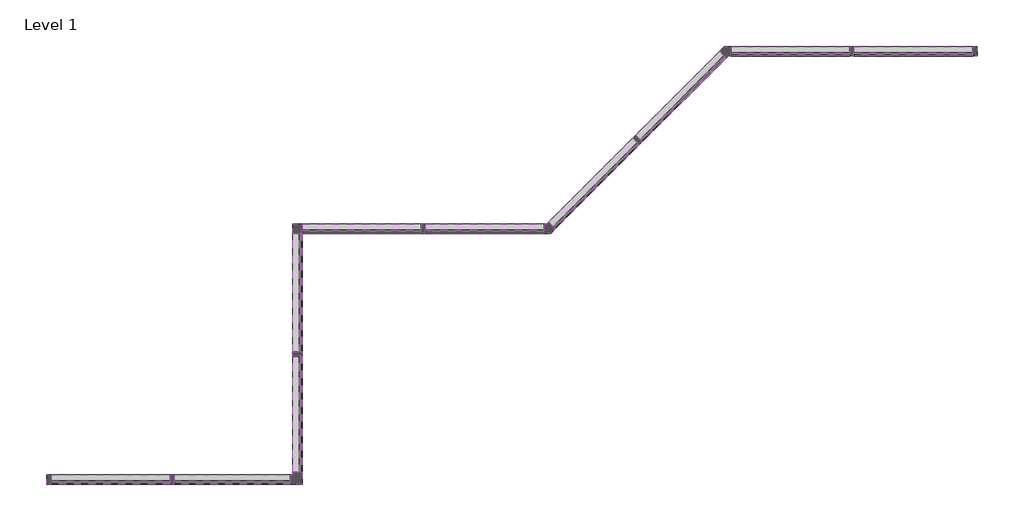
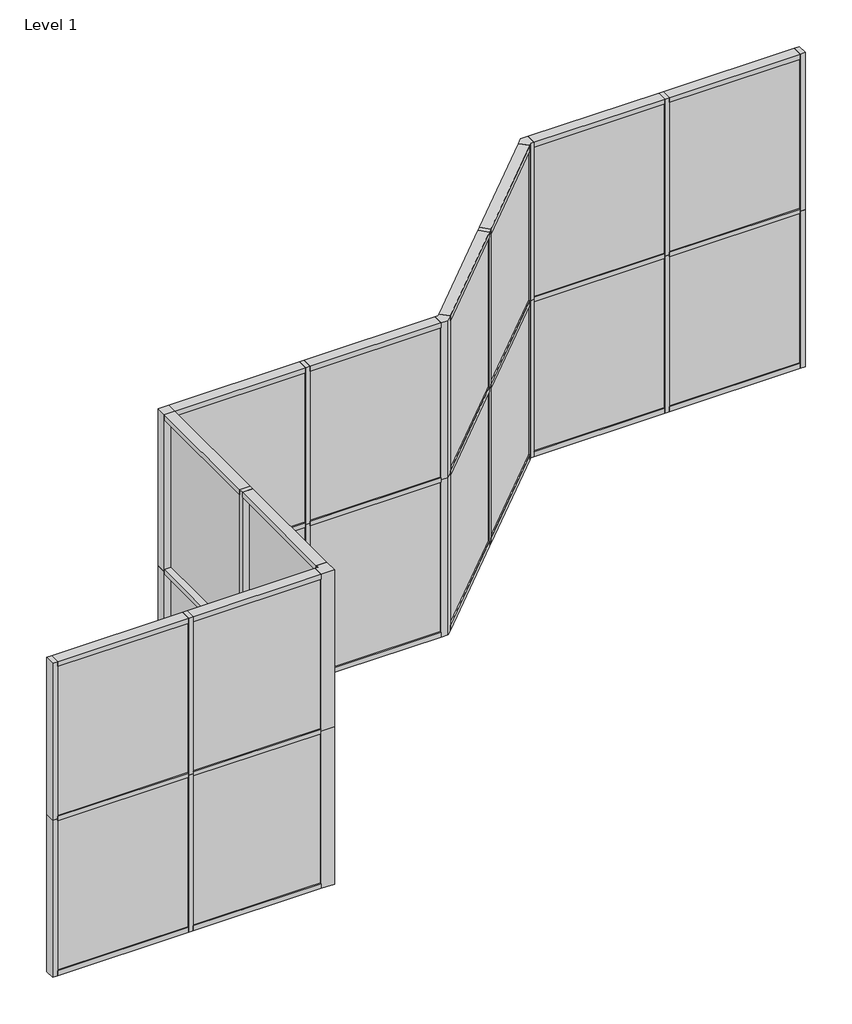
# One storey: 52 members, 20 plates.
"""IFC4 building model written with IfcOpenShell, lengths in millimetres."""

import ifcopenshell
import ifcopenshell.guid

model = None  # the IFC model being written
_history = None  # IfcOwnerHistory: only IFC2X3 demands one
_inside = {}  # id of a spatial element -> (the spatial element, [elements in it])
_under = {}  # id of a project, library or spatial element -> (it, [spatial elements below it])
_declared = {}  # id of a project -> (the project, [libraries it declares])
_typed = {}  # id of a type object -> (the type object, [elements of that type])
_made_of = {}  # id of a material, layer set ... -> (it, [elements and type objects made of it])


def new_model(schema):
    """Start an empty IFC model of exactly this schema.

    Asked for "IFC4X3", IfcOpenShell would pick the latest addendum, in which some entities
    have other attributes; the version numbers below select the first issue.
    IFC2X3 requires an IfcOwnerHistory on every rooted entity: one is made here for all.
    """
    global model, _history
    if schema == "IFC4X3":
        model = ifcopenshell.file(schema_version=(4, 3, 0, 0))
    else:
        model = ifcopenshell.file(schema=schema)
    _inside.clear()
    _under.clear()
    _declared.clear()
    _typed.clear()
    _made_of.clear()
    _history = None
    if model.schema == "IFC2X3":
        org = make("IfcOrganization", Name="unknown")
        user = make(
            "IfcPersonAndOrganization",
            ThePerson=make("IfcPerson", FamilyName="unknown"),
            TheOrganization=org,
        )
        app = make(
            "IfcApplication",
            ApplicationDeveloper=org,
            Version="unknown",
            ApplicationFullName="unknown",
            ApplicationIdentifier="unknown",
        )
        _history = make(
            "IfcOwnerHistory",
            OwningUser=user,
            OwningApplication=app,
            ChangeAction="ADDED",
            CreationDate=0,
        )
    return model


def make(cls, **values):
    """One entity of the class cls with the attributes given. An attribute that is None is left unset."""
    return model.create_entity(
        cls, **{name: value for name, value in values.items() if value is not None}
    )


def rooted(cls, **values):
    """An entity with a GlobalId (a new one), such as an element, a storey or a relation."""
    return make(cls, GlobalId=ifcopenshell.guid.new(), OwnerHistory=_history, **values)


def si_unit(unit_type, name, prefix=None):
    """IfcSIUnit, for example si_unit("LENGTHUNIT", "METRE", prefix="MILLI")."""
    return make("IfcSIUnit", UnitType=unit_type, Prefix=prefix, Name=name)


def assignment(units):
    """IfcUnitAssignment: the units of a project."""
    return None if units is None else make("IfcUnitAssignment", Units=units)


def point(xyz):
    """IfcCartesianPoint."""
    return None if xyz is None else make("IfcCartesianPoint", Coordinates=xyz)


def direction(xyz):
    """IfcDirection."""
    return None if xyz is None else make("IfcDirection", DirectionRatios=xyz)


def frame(location, z_axis=None, x_axis=None):
    """IfcAxis2Placement3D, a coordinate frame: its origin and axes. An axis left out is left unset."""
    return make(
        "IfcAxis2Placement3D",
        Location=point(location),
        Axis=direction(z_axis),
        RefDirection=direction(x_axis),
    )


def origin():
    """The frame at (0, 0, 0) with its axes left unset."""
    return frame((0.0, 0.0, 0.0))


def origin_with_axes():
    """The frame at (0, 0, 0) with the z axis (0, 0, 1) and the x axis (1, 0, 0) written out."""
    return frame((0.0, 0.0, 0.0), z_axis=(0.0, 0.0, 1.0), x_axis=(1.0, 0.0, 0.0))


def place(relative_to, where):
    """IfcLocalPlacement: puts the frame where relative to a parent placement (None: the world)."""
    return make(
        "IfcLocalPlacement", PlacementRelTo=relative_to, RelativePlacement=where
    )


def context(
    kind, dimensions, precision=None, world=None, true_north=None, identifier=None
):
    """IfcGeometricRepresentationContext, for example the 3D "Model" context."""
    return make(
        "IfcGeometricRepresentationContext",
        ContextIdentifier=identifier,
        ContextType=kind,
        CoordinateSpaceDimension=dimensions,
        Precision=precision,
        WorldCoordinateSystem=world,
        TrueNorth=true_north,
    )


def project(units=None, contexts=None):
    """IfcProject with its units and contexts."""
    return rooted(
        "IfcProject",
        Name="project",
        RepresentationContexts=contexts,
        UnitsInContext=assignment(units),
    )


def spatial(cls, under=None, at=None, **own):
    """A site, building, storey or space (cls), placed at a placement, below another one or the project."""
    s = rooted(cls, ObjectPlacement=at, **own)
    if under is not None:
        _under.setdefault(under.id(), (under, []))[1].append(s)
    return s


def polyline(points):
    """IfcPolyline through the points."""
    return make("IfcPolyline", Points=[point(p) for p in points])


def outline(outer, holes=None, kind="AREA"):
    """IfcArbitraryClosedProfileDef: a profile drawn as a closed curve; with holes, ...WithVoids."""
    if holes is None:
        return make("IfcArbitraryClosedProfileDef", ProfileType=kind, OuterCurve=outer)
    return make(
        "IfcArbitraryProfileDefWithVoids",
        ProfileType=kind,
        OuterCurve=outer,
        InnerCurves=holes,
    )


def extrude(swept, where, along, depth):
    """IfcExtrudedAreaSolid: the profile swept, set in the frame where, extruded along a direction by depth."""
    return make(
        "IfcExtrudedAreaSolid",
        SweptArea=swept,
        Position=where,
        ExtrudedDirection=direction(along),
        Depth=depth,
    )


def shape(context_of_items, identifier, shape_type, items):
    """IfcShapeRepresentation: the items that make up one representation, for example the "Body"."""
    return make(
        "IfcShapeRepresentation",
        ContextOfItems=context_of_items,
        RepresentationIdentifier=identifier,
        RepresentationType=shape_type,
        Items=items,
    )


def source(mapping_origin, context_of_items, identifier, shape_type, items):
    """IfcRepresentationMap: a shape defined once, which mapped items show again and again."""
    return make(
        "IfcRepresentationMap",
        MappingOrigin=mapping_origin,
        MappedRepresentation=shape(context_of_items, identifier, shape_type, items),
    )


def transform(
    local_origin,
    x_axis=None,
    y_axis=None,
    z_axis=None,
    scale=None,
    scale2=None,
    scale3=None,
    uniform=True,
):
    """IfcCartesianTransformationOperator3D, or its non-uniform kind. x_axis, y_axis, z_axis: its Axis1, 2, 3."""
    if uniform:
        return make(
            "IfcCartesianTransformationOperator3D",
            Axis1=direction(x_axis),
            Axis2=direction(y_axis),
            LocalOrigin=point(local_origin),
            Scale=scale,
            Axis3=direction(z_axis),
        )
    return make(
        "IfcCartesianTransformationOperator3DnonUniform",
        Axis1=direction(x_axis),
        Axis2=direction(y_axis),
        LocalOrigin=point(local_origin),
        Scale=scale,
        Axis3=direction(z_axis),
        Scale2=scale2,
        Scale3=scale3,
    )


def mapped(mapping_source, mapping_target):
    """IfcMappedItem: shows the shape of a source again, moved by a transform."""
    return make(
        "IfcMappedItem", MappingSource=mapping_source, MappingTarget=mapping_target
    )


def made_of(thing, what):
    """Note that an element or type object is made of a material, layer set ...; save() writes the relation."""
    if what is not None:
        _made_of.setdefault(what.id(), (what, []))[1].append(thing)
    return thing


def element(
    cls,
    number,
    at=None,
    inside=None,
    cuts=None,
    type_object=None,
    material=None,
    context=None,
    identifier="Body",
    shape_type=None,
    held_by="IfcProductDefinitionShape",
    body=None,
    shapes=None,
    **own,
):
    """One element of the class cls, such as IfcWall. Its Tag is "e" and its number.

    at: its placement. inside: the storey or other place that contains it. cuts: it is an
    opening in that element (IfcRelVoidsElement). A single representation is given by context,
    identifier, shape_type and body (its items); several are given by shapes. held_by: the class
    of the entity that holds the representations. save() writes the other relations.
    """
    e = rooted(cls, Tag="e%d" % number, ObjectPlacement=at, **own)
    if body is not None:
        shapes = [shape(context, identifier, shape_type, body)]
    if shapes is not None:
        e.Representation = make(held_by, Representations=shapes)
    if inside is not None:
        _inside.setdefault(inside.id(), (inside, []))[1].append(e)
    if cuts is not None:
        rooted(
            "IfcRelVoidsElement", RelatingBuildingElement=cuts, RelatedOpeningElement=e
        )
    if type_object is not None:
        _typed.setdefault(type_object.id(), (type_object, []))[1].append(e)
    return made_of(e, material)


def aggregate(whole, parts):
    """IfcRelAggregates: a whole, such as a stair, and the parts it consists of."""
    return rooted("IfcRelAggregates", RelatingObject=whole, RelatedObjects=parts)


def save(model, path):
    """Write the relations noted so far, then the file.

    IfcRelAggregates (storeys below a building ...), IfcRelContainedInSpatialStructure (elements
    in a storey), IfcRelDefinesByType, IfcRelAssociatesMaterial and IfcRelDeclares: one each for
    every whole, place, type object, material and project.
    """
    for whole, parts in _under.values():
        aggregate(whole, parts)
    for where, things in _inside.values():
        rooted(
            "IfcRelContainedInSpatialStructure",
            RelatedElements=things,
            RelatingStructure=where,
        )
    for kind, things in _typed.values():
        rooted("IfcRelDefinesByType", RelatedObjects=things, RelatingType=kind)
    for what, things in _made_of.values():
        rooted("IfcRelAssociatesMaterial", RelatedObjects=things, RelatingMaterial=what)
    for by, libraries in _declared.values():
        rooted("IfcRelDeclares", RelatingContext=by, RelatedDefinitions=libraries)
    model.write(path)


def l_corner_mullion_a6ab9942(model_context):
    return source(origin(), model_context, "Body", "SweptSolid", [
        extrude(outline(polyline([(-57.15, -88.9), (-57.15, -57.15), (-88.9, -57.15), (-88.9, 57.15), (57.15, 57.15), (57.15, -88.9), (-57.15, -88.9)])), frame((0.0, 0.0, -1828.8), z_axis=(0.0, 0.0, 1.0), x_axis=(1.0, 0.0, 0.0)), (0.0, 0.0, 1.0), 1828.8),
    ])


def l_corner_mullion_ac451483(model_context):
    return source(origin(), model_context, "Body", "SweptSolid", [
        extrude(outline(polyline([(81.9448371, 1.122532), (23.6723051, -57.15), (-58.7375, -57.15), (-58.7375, 57.15), (-23.6723051, 57.15), (1.122532, 81.9448371), (81.9448371, 1.122532)])), frame((0.0, 0.0, -1828.8), z_axis=(0.0, 0.0, 1.0), x_axis=(1.0, 0.0, 0.0)), (0.0, 0.0, 1.0), 1828.8),
    ])


def l_corner_mullion_841fe853(model_context):
    return source(origin(), model_context, "Body", "SweptSolid", [
        extrude(outline(polyline([(-1.122532, -79.6997731), (-23.6723051, -57.15), (-55.5625, -57.15), (-55.5625, 57.15), (23.6723051, 57.15), (79.6997731, 1.122532), (-1.122532, -79.6997731)])), frame((0.0, 0.0, -1828.8), z_axis=(0.0, 0.0, 1.0), x_axis=(1.0, 0.0, 0.0)), (0.0, 0.0, 1.0), 1828.8),
    ])


def quad_corner_mullion_361adb77(model_context):
    return source(origin(), model_context, "Body", "SweptSolid", [
        extrude(outline(polyline([(57.15, 57.15), (57.15, -57.15), (-57.15, -57.15), (-57.15, 57.15), (57.15, 57.15)])), frame((0.0, 0.0, -1828.8), z_axis=(0.0, 0.0, 1.0), x_axis=(1.0, 0.0, 0.0)), (0.0, 0.0, 1.0), 1828.8),
    ])


def rectangular_mullion_kawneer_vg_451t_ssf_head_1aaa4fa9(model_context):
    return source(origin(), model_context, "Body", "SweptSolid", [
        extrude(outline(polyline([(-57.15, -57.15), (-57.15, 57.15), (0.0, 57.15), (0.0, -57.15), (-57.15, -57.15)])), frame((0.0, 0.0, -1441.45), z_axis=(0.0, 0.0, 1.0), x_axis=(1.0, 0.0, 0.0)), (0.0, 0.0, 1.0), 1441.45),
    ])


def rectangular_mullion_kawneer_vg_451t_ssf_head_66d3cd5d(model_context):
    return source(origin(), model_context, "Body", "SweptSolid", [
        extrude(outline(polyline([(-57.15, -57.15), (-57.15, 57.15), (0.0, 57.15), (0.0, -57.15), (-57.15, -57.15)])), frame((0.0, 0.0, -1409.7), z_axis=(0.0, 0.0, 1.0), x_axis=(1.0, 0.0, 0.0)), (0.0, 0.0, 1.0), 1409.7),
    ])


def rectangular_mullion_kawneer_vg_451t_ssf_head_3aa4c174(model_context):
    return source(origin(), model_context, "Body", "SweptSolid", [
        extrude(outline(polyline([(-57.15, -57.15), (-57.15, 57.15), (0.0, 57.15), (0.0, -57.15), (-57.15, -57.15)])), frame((0.0, 0.0, -1439.8625), z_axis=(0.0, 0.0, 1.0), x_axis=(1.0, 0.0, 0.0)), (0.0, 0.0, 1.0), 1439.8625),
    ])


def rectangular_mullion_kawneer_vg_451t_ssf_head_cba95f74(model_context):
    return source(origin(), model_context, "Body", "SweptSolid", [
        extrude(outline(polyline([(-57.15, -57.15), (-57.15, 57.15), (0.0, 57.15), (0.0, -57.15), (-57.15, -57.15)])), frame((0.0, 0.0, -1443.0375), z_axis=(0.0, 0.0, 1.0), x_axis=(1.0, 0.0, 0.0)), (0.0, 0.0, 1.0), 1443.0375),
    ])


def rectangular_mullion_kawneer_vg_451t_ssf_horizontal_7eaaeb3d(model_context):
    return source(origin(), model_context, "Body", "SweptSolid", [
        extrude(outline(polyline([(25.4, 57.15), (25.4, -57.15), (-25.4, -57.15), (-25.4, 57.15), (25.4, 57.15)])), frame((0.0, 0.0, -1441.45), z_axis=(0.0, 0.0, 1.0), x_axis=(1.0, 0.0, 0.0)), (0.0, 0.0, 1.0), 1441.45),
    ])


def rectangular_mullion_kawneer_vg_451t_ssf_horizontal_c1d5c783(model_context):
    return source(origin(), model_context, "Body", "SweptSolid", [
        extrude(outline(polyline([(25.4, 57.15), (25.4, -57.15), (-25.4, -57.15), (-25.4, 57.15), (25.4, 57.15)])), frame((0.0, 0.0, -1409.7), z_axis=(0.0, 0.0, 1.0), x_axis=(1.0, 0.0, 0.0)), (0.0, 0.0, 1.0), 1409.7),
    ])


def rectangular_mullion_kawneer_vg_451t_ssf_horizontal_adbf91b8(model_context):
    return source(origin(), model_context, "Body", "SweptSolid", [
        extrude(outline(polyline([(25.4, 57.15), (25.4, -57.15), (-25.4, -57.15), (-25.4, 57.15), (25.4, 57.15)])), frame((0.0, 0.0, -1439.8625), z_axis=(0.0, 0.0, 1.0), x_axis=(1.0, 0.0, 0.0)), (0.0, 0.0, 1.0), 1439.8625),
    ])


def rectangular_mullion_kawneer_vg_451t_ssf_horizontal_f5af0a38(model_context):
    return source(origin(), model_context, "Body", "SweptSolid", [
        extrude(outline(polyline([(25.4, 57.15), (25.4, -57.15), (-25.4, -57.15), (-25.4, 57.15), (25.4, 57.15)])), frame((0.0, 0.0, -1443.0375), z_axis=(0.0, 0.0, 1.0), x_axis=(1.0, 0.0, 0.0)), (0.0, 0.0, 1.0), 1443.0375),
    ])


def rectangular_mullion_kawneer_vg_451t_ssf_jamb_left_6c2af602(model_context):
    return source(origin(), model_context, "Body", "SweptSolid", [
        extrude(outline(polyline([(-57.15, -57.15), (-57.15, 57.15), (0.0, 57.15), (0.0, -57.15), (-57.15, -57.15)])), frame((0.0, 0.0, -1828.8), z_axis=(0.0, 0.0, 1.0), x_axis=(1.0, 0.0, 0.0)), (0.0, 0.0, 1.0), 1828.8),
    ])


def rectangular_mullion_kawneer_vg_451t_ssf_vertical_585972e0(model_context):
    return source(origin(), model_context, "Body", "SweptSolid", [
        extrude(outline(polyline([(25.4, 57.15), (25.4, -57.15), (-25.4, -57.15), (-25.4, 57.15), (25.4, 57.15)])), frame((0.0, 0.0, -1828.8), z_axis=(0.0, 0.0, 1.0), x_axis=(1.0, 0.0, 0.0)), (0.0, 0.0, 1.0), 1828.8),
    ])


def system_panel_ssf_a21d18b7(model_context):
    return source(origin(), model_context, "Body", "SweptSolid", [
        extrude(outline(polyline([(720.725, -43.65625), (-720.725, -43.65625), (-720.725, -18.25625), (720.725, -18.25625), (720.725, -43.65625)])), origin_with_axes(), (0.0, 0.0, 1.0), 1746.25),
    ])


def system_panel_ssf_b7d2707d(model_context):
    return source(origin(), model_context, "Body", "SweptSolid", [
        extrude(outline(polyline([(704.85, -43.65625), (-704.85, -43.65625), (-704.85, -18.25625), (704.85, -18.25625), (704.85, -43.65625)])), origin_with_axes(), (0.0, 0.0, 1.0), 1746.25),
    ])


def system_panel_ssf_5d918674(model_context):
    return source(origin(), model_context, "Body", "SweptSolid", [
        extrude(outline(polyline([(721.51875, -43.65625), (-721.51875, -43.65625), (-721.51875, -18.25625), (721.51875, -18.25625), (721.51875, -43.65625)])), origin_with_axes(), (0.0, 0.0, 1.0), 1746.25),
    ])


def system_panel_ssf_1078826c(model_context):
    return source(origin(), model_context, "Body", "SweptSolid", [
        extrude(outline(polyline([(719.93125, -43.65625), (-719.93125, -43.65625), (-719.93125, -18.25625), (719.93125, -18.25625), (719.93125, -43.65625)])), origin_with_axes(), (0.0, 0.0, 1.0), 1746.25),
    ])


model = new_model("IFC4")

# Units and contexts
model_context = context("Model", 3, world=origin())
ifc_project = project(units=[si_unit("LENGTHUNIT", "METRE", prefix="MILLI")], contexts=[model_context])

# Site, building, storey
site = spatial("IfcSite", under=ifc_project)
building = spatial("IfcBuilding", under=site)
storey = spatial("IfcBuildingStorey", under=building, Name="Level 1", Elevation=0.0)

# Members
placement = place(None, origin())
l_corner_mullion_shape = l_corner_mullion_a6ab9942(model_context)
element("IfcMember", 1, ObjectType="L Corner Mullion", at=placement, inside=storey, context=model_context, shape_type="MappedRepresentation", body=[
    mapped(l_corner_mullion_shape, transform((8955.9850395, 12459.9968412, 0.0), x_axis=(1.0, 0.0, 0.0), y_axis=(0.0, -1.0, 0.0), z_axis=(0.0, 0.0, -1.0))),
])
element("IfcMember", 2, ObjectType="L Corner Mullion", at=placement, inside=storey, context=model_context, shape_type="MappedRepresentation", body=[
    mapped(l_corner_mullion_shape, transform((8955.9850395, 12459.9968412, 1828.8), x_axis=(1.0, 0.0, 0.0), y_axis=(0.0, -1.0, 0.0), z_axis=(0.0, 0.0, -1.0))),
])
l_corner_mullion_2_shape = l_corner_mullion_ac451483(model_context)
element("IfcMember", 3, ObjectType="L Corner Mullion", at=placement, inside=storey, context=model_context, shape_type="MappedRepresentation", body=[
    mapped(l_corner_mullion_2_shape, transform((14159.2465086, 17663.2583102, 0.0), x_axis=(0.7071067811865479, 0.7071067811865472, 0.0), y_axis=(0.7071067811865472, -0.7071067811865479, 0.0), z_axis=(0.0, 0.0, -1.0))),
])
element("IfcMember", 4, ObjectType="L Corner Mullion", at=placement, inside=storey, context=model_context, shape_type="MappedRepresentation", body=[
    mapped(l_corner_mullion_2_shape, transform((14159.2465086, 17663.2583102, 1828.8), x_axis=(0.7071067811865479, 0.7071067811865472, 0.0), y_axis=(0.7071067811865472, -0.7071067811865479, 0.0), z_axis=(0.0, 0.0, -1.0))),
])
l_corner_mullion_3_shape = l_corner_mullion_841fe853(model_context)
element("IfcMember", 5, ObjectType="L Corner Mullion", at=placement, inside=storey, context=model_context, shape_type="MappedRepresentation", body=[
    mapped(l_corner_mullion_3_shape, transform((12003.9850395, 15507.9968412, 0.0), x_axis=(1.0, 0.0, 0.0), y_axis=(0.0, -1.0, 0.0), z_axis=(0.0, 0.0, -1.0))),
])
element("IfcMember", 6, ObjectType="L Corner Mullion", at=placement, inside=storey, context=model_context, shape_type="MappedRepresentation", body=[
    mapped(l_corner_mullion_3_shape, transform((12003.9850395, 15507.9968412, 1828.8), x_axis=(1.0, 0.0, 0.0), y_axis=(0.0, -1.0, 0.0), z_axis=(0.0, 0.0, -1.0))),
])
quad_corner_mullion_shape = quad_corner_mullion_361adb77(model_context)
element("IfcMember", 7, ObjectType="Quad Corner Mullion", at=placement, inside=storey, context=model_context, shape_type="MappedRepresentation", body=[
    mapped(quad_corner_mullion_shape, transform((8955.9850395, 15507.9968412, 0.0), x_axis=(0.0, 1.0, 0.0), y_axis=(1.0, 0.0, 0.0), z_axis=(0.0, 0.0, -1.0))),
])
element("IfcMember", 8, ObjectType="Quad Corner Mullion", at=placement, inside=storey, context=model_context, shape_type="MappedRepresentation", body=[
    mapped(quad_corner_mullion_shape, transform((8955.9850395, 15507.9968412, 1828.8), x_axis=(0.0, 1.0, 0.0), y_axis=(1.0, 0.0, 0.0), z_axis=(0.0, 0.0, -1.0))),
])
rectangular_mullion_kawneer_vg_451t_ssf_head_shape = rectangular_mullion_kawneer_vg_451t_ssf_head_1aaa4fa9(model_context)
element("IfcMember", 9, ObjectType="Rectangular Mullion : Kawneer-VG_451T-SSF-Head", at=placement, inside=storey, context=model_context, shape_type="MappedRepresentation", body=[
    mapped(rectangular_mullion_kawneer_vg_451t_ssf_head_shape, transform((7406.5850395, 12459.9968412, 3657.6), x_axis=(0.0, 0.0, 1.0), y_axis=(0.0, -1.0, 0.0), z_axis=(1.0, 0.0, 0.0))),
])
element("IfcMember", 10, ObjectType="Rectangular Mullion : Kawneer-VG_451T-SSF-Head", at=placement, inside=storey, context=model_context, shape_type="MappedRepresentation", body=[
    mapped(rectangular_mullion_kawneer_vg_451t_ssf_head_shape, transform((8955.9850395, 15450.8468412, 3657.6), x_axis=(0.0, 0.0, 1.0), y_axis=(1.0, 0.0, 0.0), z_axis=(0.0, 1.0, 0.0))),
])
element("IfcMember", 11, ObjectType="Rectangular Mullion : Kawneer-VG_451T-SSF-Head", at=placement, inside=storey, context=model_context, shape_type="MappedRepresentation", body=[
    mapped(rectangular_mullion_kawneer_vg_451t_ssf_head_shape, transform((10454.5850395, 15507.9968412, 3657.6), x_axis=(0.0, 0.0, 1.0), y_axis=(0.0, -1.0, 0.0), z_axis=(1.0, 0.0, 0.0))),
])
element("IfcMember", 12, ObjectType="Rectangular Mullion : Kawneer-VG_451T-SSF-Head", at=placement, inside=storey, context=model_context, shape_type="MappedRepresentation", body=[
    mapped(rectangular_mullion_kawneer_vg_451t_ssf_head_shape, transform((17150.0965086, 17663.2583102, 3657.6), x_axis=(0.0, 0.0, 1.0), y_axis=(0.0, -1.0, 0.0), z_axis=(1.0, 0.0, 0.0))),
])
rectangular_mullion_kawneer_vg_451t_ssf_head_2_shape = rectangular_mullion_kawneer_vg_451t_ssf_head_66d3cd5d(model_context)
element("IfcMember", 13, ObjectType="Rectangular Mullion : Kawneer-VG_451T-SSF-Head", at=placement, inside=storey, context=model_context, shape_type="MappedRepresentation", body=[
    mapped(rectangular_mullion_kawneer_vg_451t_ssf_head_2_shape, transform((8867.0850395, 12459.9968412, 3657.6), x_axis=(0.0, 0.0, 1.0), y_axis=(0.0, -1.0, 0.0), z_axis=(1.0, 0.0, 0.0))),
])
element("IfcMember", 14, ObjectType="Rectangular Mullion : Kawneer-VG_451T-SSF-Head", at=placement, inside=storey, context=model_context, shape_type="MappedRepresentation", body=[
    mapped(rectangular_mullion_kawneer_vg_451t_ssf_head_2_shape, transform((8955.9850395, 13958.5968412, 3657.6), x_axis=(0.0, 0.0, 1.0), y_axis=(1.0, 0.0, 0.0), z_axis=(0.0, 1.0, 0.0))),
])
rectangular_mullion_kawneer_vg_451t_ssf_head_3_shape = rectangular_mullion_kawneer_vg_451t_ssf_head_3aa4c174(model_context)
element("IfcMember", 15, ObjectType="Rectangular Mullion : Kawneer-VG_451T-SSF-Head", at=placement, inside=storey, context=model_context, shape_type="MappedRepresentation", body=[
    mapped(rectangular_mullion_kawneer_vg_451t_ssf_head_3_shape, transform((14117.712824, 17621.7246257, 3657.6), x_axis=(0.0, 0.0, 1.0), y_axis=(0.7071067811865476, -0.7071067811865476, 0.0), z_axis=(0.7071067811865475, 0.7071067811865475, 0.0))),
])
element("IfcMember", 16, ObjectType="Rectangular Mullion : Kawneer-VG_451T-SSF-Head", at=placement, inside=storey, context=model_context, shape_type="MappedRepresentation", body=[
    mapped(rectangular_mullion_kawneer_vg_451t_ssf_head_3_shape, transform((15657.8465086, 17663.2583102, 3657.6), x_axis=(0.0, 0.0, 1.0), y_axis=(0.0, -1.0, 0.0), z_axis=(1.0, 0.0, 0.0))),
])
rectangular_mullion_kawneer_vg_451t_ssf_head_4_shape = rectangular_mullion_kawneer_vg_451t_ssf_head_cba95f74(model_context)
element("IfcMember", 17, ObjectType="Rectangular Mullion : Kawneer-VG_451T-SSF-Head", at=placement, inside=storey, context=model_context, shape_type="MappedRepresentation", body=[
    mapped(rectangular_mullion_kawneer_vg_451t_ssf_head_4_shape, transform((11948.4225395, 15507.9968412, 3657.6), x_axis=(0.0, 0.0, 1.0), y_axis=(0.0, -1.0, 0.0), z_axis=(1.0, 0.0, 0.0))),
])
element("IfcMember", 18, ObjectType="Rectangular Mullion : Kawneer-VG_451T-SSF-Head", at=placement, inside=storey, context=model_context, shape_type="MappedRepresentation", body=[
    mapped(rectangular_mullion_kawneer_vg_451t_ssf_head_4_shape, transform((13063.6552618, 16567.6670635, 3657.6), x_axis=(0.0, 0.0, 1.0), y_axis=(0.7071067811865468, -0.7071067811865482, 0.0), z_axis=(0.7071067811865482, 0.7071067811865468, 0.0))),
])
rectangular_mullion_kawneer_vg_451t_ssf_horizontal_shape = rectangular_mullion_kawneer_vg_451t_ssf_horizontal_7eaaeb3d(model_context)
element("IfcMember", 19, ObjectType="Rectangular Mullion : Kawneer-VG_451T-SSF-Horizontal", at=placement, inside=storey, context=model_context, shape_type="MappedRepresentation", body=[
    mapped(rectangular_mullion_kawneer_vg_451t_ssf_horizontal_shape, transform((7406.5850395, 12459.9968412, 1828.8), x_axis=(0.0, 0.0, 1.0), y_axis=(0.0, -1.0, 0.0), z_axis=(1.0, 0.0, 0.0))),
])
element("IfcMember", 20, ObjectType="Rectangular Mullion : Kawneer-VG_451T-SSF-Horizontal", at=placement, inside=storey, context=model_context, shape_type="MappedRepresentation", body=[
    mapped(rectangular_mullion_kawneer_vg_451t_ssf_horizontal_shape, transform((8955.9850395, 15450.8468412, 1828.8), x_axis=(0.0, 0.0, 1.0), y_axis=(1.0, 0.0, 0.0), z_axis=(0.0, 1.0, 0.0))),
])
element("IfcMember", 21, ObjectType="Rectangular Mullion : Kawneer-VG_451T-SSF-Horizontal", at=placement, inside=storey, context=model_context, shape_type="MappedRepresentation", body=[
    mapped(rectangular_mullion_kawneer_vg_451t_ssf_horizontal_shape, transform((10454.5850395, 15507.9968412, 1828.8), x_axis=(0.0, 0.0, 1.0), y_axis=(0.0, -1.0, 0.0), z_axis=(1.0, 0.0, 0.0))),
])
element("IfcMember", 22, ObjectType="Rectangular Mullion : Kawneer-VG_451T-SSF-Horizontal", at=placement, inside=storey, context=model_context, shape_type="MappedRepresentation", body=[
    mapped(rectangular_mullion_kawneer_vg_451t_ssf_horizontal_shape, transform((17150.0965086, 17663.2583102, 1828.8), x_axis=(0.0, 0.0, 1.0), y_axis=(0.0, -1.0, 0.0), z_axis=(1.0, 0.0, 0.0))),
])
rectangular_mullion_kawneer_vg_451t_ssf_horizontal_2_shape = rectangular_mullion_kawneer_vg_451t_ssf_horizontal_c1d5c783(model_context)
element("IfcMember", 23, ObjectType="Rectangular Mullion : Kawneer-VG_451T-SSF-Horizontal", at=placement, inside=storey, context=model_context, shape_type="MappedRepresentation", body=[
    mapped(rectangular_mullion_kawneer_vg_451t_ssf_horizontal_2_shape, transform((8867.0850395, 12459.9968412, 1828.8), x_axis=(0.0, 0.0, 1.0), y_axis=(0.0, -1.0, 0.0), z_axis=(1.0, 0.0, 0.0))),
])
element("IfcMember", 24, ObjectType="Rectangular Mullion : Kawneer-VG_451T-SSF-Horizontal", at=placement, inside=storey, context=model_context, shape_type="MappedRepresentation", body=[
    mapped(rectangular_mullion_kawneer_vg_451t_ssf_horizontal_2_shape, transform((8955.9850395, 13958.5968412, 1828.8), x_axis=(0.0, 0.0, 1.0), y_axis=(1.0, 0.0, 0.0), z_axis=(0.0, 1.0, 0.0))),
])
rectangular_mullion_kawneer_vg_451t_ssf_horizontal_3_shape = rectangular_mullion_kawneer_vg_451t_ssf_horizontal_adbf91b8(model_context)
element("IfcMember", 25, ObjectType="Rectangular Mullion : Kawneer-VG_451T-SSF-Horizontal", at=placement, inside=storey, context=model_context, shape_type="MappedRepresentation", body=[
    mapped(rectangular_mullion_kawneer_vg_451t_ssf_horizontal_3_shape, transform((14117.712824, 17621.7246257, 1828.8), x_axis=(0.0, 0.0, 1.0), y_axis=(0.7071067811865476, -0.7071067811865476, 0.0), z_axis=(0.7071067811865475, 0.7071067811865475, 0.0))),
])
element("IfcMember", 26, ObjectType="Rectangular Mullion : Kawneer-VG_451T-SSF-Horizontal", at=placement, inside=storey, context=model_context, shape_type="MappedRepresentation", body=[
    mapped(rectangular_mullion_kawneer_vg_451t_ssf_horizontal_3_shape, transform((15657.8465086, 17663.2583102, 1828.8), x_axis=(0.0, 0.0, 1.0), y_axis=(0.0, -1.0, 0.0), z_axis=(1.0, 0.0, 0.0))),
])
rectangular_mullion_kawneer_vg_451t_ssf_horizontal_4_shape = rectangular_mullion_kawneer_vg_451t_ssf_horizontal_f5af0a38(model_context)
element("IfcMember", 27, ObjectType="Rectangular Mullion : Kawneer-VG_451T-SSF-Horizontal", at=placement, inside=storey, context=model_context, shape_type="MappedRepresentation", body=[
    mapped(rectangular_mullion_kawneer_vg_451t_ssf_horizontal_4_shape, transform((11948.4225395, 15507.9968412, 1828.8), x_axis=(0.0, 0.0, 1.0), y_axis=(0.0, -1.0, 0.0), z_axis=(1.0, 0.0, 0.0))),
])
element("IfcMember", 28, ObjectType="Rectangular Mullion : Kawneer-VG_451T-SSF-Horizontal", at=placement, inside=storey, context=model_context, shape_type="MappedRepresentation", body=[
    mapped(rectangular_mullion_kawneer_vg_451t_ssf_horizontal_4_shape, transform((13063.6552618, 16567.6670635, 1828.8), x_axis=(0.0, 0.0, 1.0), y_axis=(0.7071067811865468, -0.7071067811865482, 0.0), z_axis=(0.7071067811865482, 0.7071067811865468, 0.0))),
])
rectangular_mullion_kawneer_vg_451t_ssf_jamb_left_shape = rectangular_mullion_kawneer_vg_451t_ssf_jamb_left_6c2af602(model_context)
element("IfcMember", 29, ObjectType="Rectangular Mullion : Kawneer-VG_451T-SSF-Jamb_Left", at=placement, inside=storey, context=model_context, shape_type="MappedRepresentation", body=[
    mapped(rectangular_mullion_kawneer_vg_451t_ssf_jamb_left_shape, transform((5907.9850395, 12459.9968412, 3657.6), x_axis=(-1.0, 0.0, 0.0), y_axis=(0.0, -1.0, 0.0), z_axis=(0.0, 0.0, 1.0))),
])
element("IfcMember", 30, ObjectType="Rectangular Mullion : Kawneer-VG_451T-SSF-Jamb_Left", at=placement, inside=storey, context=model_context, shape_type="MappedRepresentation", body=[
    mapped(rectangular_mullion_kawneer_vg_451t_ssf_jamb_left_shape, transform((5907.9850395, 12459.9968412, 1828.8), x_axis=(-1.0, 0.0, 0.0), y_axis=(0.0, -1.0, 0.0), z_axis=(0.0, 0.0, 1.0))),
])
element("IfcMember", 31, ObjectType="Rectangular Mullion : Kawneer-VG_451T-SSF-Jamb_Right", at=placement, inside=storey, context=model_context, shape_type="MappedRepresentation", body=[
    mapped(rectangular_mullion_kawneer_vg_451t_ssf_jamb_left_shape, transform((17207.2465086, 17663.2583102, 0.0), x_axis=(1.0, 0.0, 0.0), y_axis=(0.0, -1.0, 0.0), z_axis=(0.0, 0.0, -1.0))),
])
element("IfcMember", 32, ObjectType="Rectangular Mullion : Kawneer-VG_451T-SSF-Jamb_Right", at=placement, inside=storey, context=model_context, shape_type="MappedRepresentation", body=[
    mapped(rectangular_mullion_kawneer_vg_451t_ssf_jamb_left_shape, transform((17207.2465086, 17663.2583102, 1828.8), x_axis=(1.0, 0.0, 0.0), y_axis=(0.0, -1.0, 0.0), z_axis=(0.0, 0.0, -1.0))),
])
element("IfcMember", 33, ObjectType="Rectangular Mullion : Kawneer-VG_451T-SSF-Sill", at=placement, inside=storey, context=model_context, shape_type="MappedRepresentation", body=[
    mapped(rectangular_mullion_kawneer_vg_451t_ssf_head_shape, transform((5965.1350395, 12459.9968412, 0.0), x_axis=(0.0, 0.0, -1.0), y_axis=(0.0, -1.0, 0.0), z_axis=(-1.0, 0.0, 0.0))),
])
element("IfcMember", 34, ObjectType="Rectangular Mullion : Kawneer-VG_451T-SSF-Sill", at=placement, inside=storey, context=model_context, shape_type="MappedRepresentation", body=[
    mapped(rectangular_mullion_kawneer_vg_451t_ssf_head_shape, transform((8955.9850395, 14009.3968412, 0.0), x_axis=(0.0, 0.0, -1.0), y_axis=(1.0, 0.0, 0.0), z_axis=(0.0, -1.0, 0.0))),
])
element("IfcMember", 35, ObjectType="Rectangular Mullion : Kawneer-VG_451T-SSF-Sill", at=placement, inside=storey, context=model_context, shape_type="MappedRepresentation", body=[
    mapped(rectangular_mullion_kawneer_vg_451t_ssf_head_shape, transform((9013.1350395, 15507.9968412, 0.0), x_axis=(0.0, 0.0, -1.0), y_axis=(0.0, -1.0, 0.0), z_axis=(-1.0, 0.0, 0.0))),
])
element("IfcMember", 36, ObjectType="Rectangular Mullion : Kawneer-VG_451T-SSF-Sill", at=placement, inside=storey, context=model_context, shape_type="MappedRepresentation", body=[
    mapped(rectangular_mullion_kawneer_vg_451t_ssf_head_shape, transform((15708.6465086, 17663.2583102, 0.0), x_axis=(0.0, 0.0, -1.0), y_axis=(0.0, -1.0, 0.0), z_axis=(-1.0, 0.0, 0.0))),
])
element("IfcMember", 37, ObjectType="Rectangular Mullion : Kawneer-VG_451T-SSF-Sill", at=placement, inside=storey, context=model_context, shape_type="MappedRepresentation", body=[
    mapped(rectangular_mullion_kawneer_vg_451t_ssf_head_2_shape, transform((7457.3850395, 12459.9968412, 0.0), x_axis=(0.0, 0.0, -1.0), y_axis=(0.0, -1.0, 0.0), z_axis=(-1.0, 0.0, 0.0))),
])
element("IfcMember", 38, ObjectType="Rectangular Mullion : Kawneer-VG_451T-SSF-Sill", at=placement, inside=storey, context=model_context, shape_type="MappedRepresentation", body=[
    mapped(rectangular_mullion_kawneer_vg_451t_ssf_head_2_shape, transform((8955.9850395, 12548.8968412, 0.0), x_axis=(0.0, 0.0, -1.0), y_axis=(1.0, 0.0, 0.0), z_axis=(0.0, -1.0, 0.0))),
])
element("IfcMember", 39, ObjectType="Rectangular Mullion : Kawneer-VG_451T-SSF-Sill", at=placement, inside=storey, context=model_context, shape_type="MappedRepresentation", body=[
    mapped(rectangular_mullion_kawneer_vg_451t_ssf_head_3_shape, transform((13099.5762863, 16603.5880879, 0.0), x_axis=(0.0, 0.0, -1.0), y_axis=(0.7071067811865468, -0.7071067811865482, 0.0), z_axis=(-0.7071067811865482, -0.7071067811865468, 0.0))),
])
element("IfcMember", 40, ObjectType="Rectangular Mullion : Kawneer-VG_451T-SSF-Sill", at=placement, inside=storey, context=model_context, shape_type="MappedRepresentation", body=[
    mapped(rectangular_mullion_kawneer_vg_451t_ssf_head_3_shape, transform((14217.9840086, 17663.2583102, 0.0), x_axis=(0.0, 0.0, -1.0), y_axis=(0.0, -1.0, 0.0), z_axis=(-1.0, 0.0, 0.0))),
])
element("IfcMember", 41, ObjectType="Rectangular Mullion : Kawneer-VG_451T-SSF-Sill", at=placement, inside=storey, context=model_context, shape_type="MappedRepresentation", body=[
    mapped(rectangular_mullion_kawneer_vg_451t_ssf_head_4_shape, transform((10505.3850395, 15507.9968412, 0.0), x_axis=(0.0, 0.0, -1.0), y_axis=(0.0, -1.0, 0.0), z_axis=(-1.0, 0.0, 0.0))),
])
element("IfcMember", 42, ObjectType="Rectangular Mullion : Kawneer-VG_451T-SSF-Sill", at=placement, inside=storey, context=model_context, shape_type="MappedRepresentation", body=[
    mapped(rectangular_mullion_kawneer_vg_451t_ssf_head_4_shape, transform((12043.27366, 15547.2854617, 0.0), x_axis=(0.0, 0.0, -1.0), y_axis=(0.7071067811865476, -0.7071067811865476, 0.0), z_axis=(-0.7071067811865476, -0.7071067811865476, 0.0))),
])
rectangular_mullion_kawneer_vg_451t_ssf_vertical_shape = rectangular_mullion_kawneer_vg_451t_ssf_vertical_585972e0(model_context)
element("IfcMember", 43, ObjectType="Rectangular Mullion : Kawneer-VG_451T-SSF-Vertical", at=placement, inside=storey, context=model_context, shape_type="MappedRepresentation", body=[
    mapped(rectangular_mullion_kawneer_vg_451t_ssf_vertical_shape, transform((7431.9850395, 12459.9968412, 0.0), x_axis=(1.0, 0.0, 0.0), y_axis=(0.0, -1.0, 0.0), z_axis=(0.0, 0.0, -1.0))),
])
element("IfcMember", 44, ObjectType="Rectangular Mullion : Kawneer-VG_451T-SSF-Vertical", at=placement, inside=storey, context=model_context, shape_type="MappedRepresentation", body=[
    mapped(rectangular_mullion_kawneer_vg_451t_ssf_vertical_shape, transform((8955.9850395, 13983.9968412, 0.0), x_axis=(0.0, 1.0, 0.0), y_axis=(1.0, 0.0, 0.0), z_axis=(0.0, 0.0, -1.0))),
])
element("IfcMember", 45, ObjectType="Rectangular Mullion : Kawneer-VG_451T-SSF-Vertical", at=placement, inside=storey, context=model_context, shape_type="MappedRepresentation", body=[
    mapped(rectangular_mullion_kawneer_vg_451t_ssf_vertical_shape, transform((10479.9850395, 15507.9968412, 0.0), x_axis=(1.0, 0.0, 0.0), y_axis=(0.0, -1.0, 0.0), z_axis=(0.0, 0.0, -1.0))),
])
element("IfcMember", 46, ObjectType="Rectangular Mullion : Kawneer-VG_451T-SSF-Vertical", at=placement, inside=storey, context=model_context, shape_type="MappedRepresentation", body=[
    mapped(rectangular_mullion_kawneer_vg_451t_ssf_vertical_shape, transform((13081.615774, 16585.6275757, 0.0), x_axis=(0.7071067811865479, 0.7071067811865472, 0.0), y_axis=(0.7071067811865472, -0.7071067811865479, 0.0), z_axis=(0.0, 0.0, -1.0))),
])
element("IfcMember", 47, ObjectType="Rectangular Mullion : Kawneer-VG_451T-SSF-Vertical", at=placement, inside=storey, context=model_context, shape_type="MappedRepresentation", body=[
    mapped(rectangular_mullion_kawneer_vg_451t_ssf_vertical_shape, transform((15683.2465086, 17663.2583102, 0.0), x_axis=(1.0, 0.0, 0.0), y_axis=(0.0, -1.0, 0.0), z_axis=(0.0, 0.0, -1.0))),
])
element("IfcMember", 48, ObjectType="Rectangular Mullion : Kawneer-VG_451T-SSF-Vertical", at=placement, inside=storey, context=model_context, shape_type="MappedRepresentation", body=[
    mapped(rectangular_mullion_kawneer_vg_451t_ssf_vertical_shape, transform((7431.9850395, 12459.9968412, 1828.8), x_axis=(1.0, 0.0, 0.0), y_axis=(0.0, -1.0, 0.0), z_axis=(0.0, 0.0, -1.0))),
])
element("IfcMember", 49, ObjectType="Rectangular Mullion : Kawneer-VG_451T-SSF-Vertical", at=placement, inside=storey, context=model_context, shape_type="MappedRepresentation", body=[
    mapped(rectangular_mullion_kawneer_vg_451t_ssf_vertical_shape, transform((8955.9850395, 13983.9968412, 1828.8), x_axis=(0.0, 1.0, 0.0), y_axis=(1.0, 0.0, 0.0), z_axis=(0.0, 0.0, -1.0))),
])
element("IfcMember", 50, ObjectType="Rectangular Mullion : Kawneer-VG_451T-SSF-Vertical", at=placement, inside=storey, context=model_context, shape_type="MappedRepresentation", body=[
    mapped(rectangular_mullion_kawneer_vg_451t_ssf_vertical_shape, transform((10479.9850395, 15507.9968412, 1828.8), x_axis=(1.0, 0.0, 0.0), y_axis=(0.0, -1.0, 0.0), z_axis=(0.0, 0.0, -1.0))),
])
element("IfcMember", 51, ObjectType="Rectangular Mullion : Kawneer-VG_451T-SSF-Vertical", at=placement, inside=storey, context=model_context, shape_type="MappedRepresentation", body=[
    mapped(rectangular_mullion_kawneer_vg_451t_ssf_vertical_shape, transform((13081.615774, 16585.6275757, 1828.8), x_axis=(0.7071067811865479, 0.7071067811865472, 0.0), y_axis=(0.7071067811865472, -0.7071067811865479, 0.0), z_axis=(0.0, 0.0, -1.0))),
])
element("IfcMember", 52, ObjectType="Rectangular Mullion : Kawneer-VG_451T-SSF-Vertical", at=placement, inside=storey, context=model_context, shape_type="MappedRepresentation", body=[
    mapped(rectangular_mullion_kawneer_vg_451t_ssf_vertical_shape, transform((15683.2465086, 17663.2583102, 1828.8), x_axis=(1.0, 0.0, 0.0), y_axis=(0.0, -1.0, 0.0), z_axis=(0.0, 0.0, -1.0))),
])

# Plates
system_panel_ssf_shape = system_panel_ssf_a21d18b7(model_context)
element("IfcPlate", 53, ObjectType="System Panel : SSF", at=placement, inside=storey, context=model_context, shape_type="MappedRepresentation", body=[
    mapped(system_panel_ssf_shape, transform((6685.8600395, 12459.9968412, 57.15), x_axis=(1.0, 0.0, 0.0), y_axis=(0.0, 1.0, 0.0), z_axis=(0.0, 0.0, 1.0))),
])
element("IfcPlate", 54, ObjectType="System Panel : SSF", at=placement, inside=storey, context=model_context, shape_type="MappedRepresentation", body=[
    mapped(system_panel_ssf_shape, transform((6685.8600395, 12459.9968412, 1854.2), x_axis=(1.0, 0.0, 0.0), y_axis=(0.0, 1.0, 0.0), z_axis=(0.0, 0.0, 1.0))),
])
element("IfcPlate", 55, ObjectType="System Panel : SSF", at=placement, inside=storey, context=model_context, shape_type="MappedRepresentation", body=[
    mapped(system_panel_ssf_shape, transform((8955.9850395, 14730.1218412, 57.15), x_axis=(0.0, 1.0, 0.0), y_axis=(-1.0, 0.0, 0.0), z_axis=(0.0, 0.0, 1.0))),
])
element("IfcPlate", 56, ObjectType="System Panel : SSF", at=placement, inside=storey, context=model_context, shape_type="MappedRepresentation", body=[
    mapped(system_panel_ssf_shape, transform((8955.9850395, 14730.1218412, 1854.2), x_axis=(0.0, 1.0, 0.0), y_axis=(-1.0, 0.0, 0.0), z_axis=(0.0, 0.0, 1.0))),
])
element("IfcPlate", 57, ObjectType="System Panel : SSF", at=placement, inside=storey, context=model_context, shape_type="MappedRepresentation", body=[
    mapped(system_panel_ssf_shape, transform((9733.8600395, 15507.9968412, 57.15), x_axis=(1.0, 0.0, 0.0), y_axis=(0.0, 1.0, 0.0), z_axis=(0.0, 0.0, 1.0))),
])
element("IfcPlate", 58, ObjectType="System Panel : SSF", at=placement, inside=storey, context=model_context, shape_type="MappedRepresentation", body=[
    mapped(system_panel_ssf_shape, transform((9733.8600395, 15507.9968412, 1854.2), x_axis=(1.0, 0.0, 0.0), y_axis=(0.0, 1.0, 0.0), z_axis=(0.0, 0.0, 1.0))),
])
element("IfcPlate", 59, ObjectType="System Panel : SSF", at=placement, inside=storey, context=model_context, shape_type="MappedRepresentation", body=[
    mapped(system_panel_ssf_shape, transform((16429.3715086, 17663.2583102, 57.15), x_axis=(1.0, 0.0, 0.0), y_axis=(0.0, 1.0, 0.0), z_axis=(0.0, 0.0, 1.0))),
])
element("IfcPlate", 60, ObjectType="System Panel : SSF", at=placement, inside=storey, context=model_context, shape_type="MappedRepresentation", body=[
    mapped(system_panel_ssf_shape, transform((16429.3715086, 17663.2583102, 1854.2), x_axis=(1.0, 0.0, 0.0), y_axis=(0.0, 1.0, 0.0), z_axis=(0.0, 0.0, 1.0))),
])
system_panel_ssf_2_shape = system_panel_ssf_b7d2707d(model_context)
element("IfcPlate", 61, ObjectType="System Panel : SSF", at=placement, inside=storey, context=model_context, shape_type="MappedRepresentation", body=[
    mapped(system_panel_ssf_2_shape, transform((8162.2350395, 12459.9968412, 57.15), x_axis=(1.0, 0.0, 0.0), y_axis=(0.0, 1.0, 0.0), z_axis=(0.0, 0.0, 1.0))),
])
element("IfcPlate", 62, ObjectType="System Panel : SSF", at=placement, inside=storey, context=model_context, shape_type="MappedRepresentation", body=[
    mapped(system_panel_ssf_2_shape, transform((8162.2350395, 12459.9968412, 1854.2), x_axis=(1.0, 0.0, 0.0), y_axis=(0.0, 1.0, 0.0), z_axis=(0.0, 0.0, 1.0))),
])
element("IfcPlate", 63, ObjectType="System Panel : SSF", at=placement, inside=storey, context=model_context, shape_type="MappedRepresentation", body=[
    mapped(system_panel_ssf_2_shape, transform((8955.9850395, 13253.7468412, 57.15), x_axis=(0.0, 1.0, 0.0), y_axis=(-1.0, 0.0, 0.0), z_axis=(0.0, 0.0, 1.0))),
])
element("IfcPlate", 64, ObjectType="System Panel : SSF", at=placement, inside=storey, context=model_context, shape_type="MappedRepresentation", body=[
    mapped(system_panel_ssf_2_shape, transform((8955.9850395, 13253.7468412, 1854.2), x_axis=(0.0, 1.0, 0.0), y_axis=(-1.0, 0.0, 0.0), z_axis=(0.0, 0.0, 1.0))),
])
system_panel_ssf_3_shape = system_panel_ssf_5d918674(model_context)
element("IfcPlate", 65, ObjectType="System Panel : SSF", at=placement, inside=storey, context=model_context, shape_type="MappedRepresentation", body=[
    mapped(system_panel_ssf_3_shape, transform((11226.9037895, 15507.9968412, 57.15), x_axis=(1.0, 0.0, 0.0), y_axis=(0.0, 1.0, 0.0), z_axis=(0.0, 0.0, 1.0))),
])
element("IfcPlate", 66, ObjectType="System Panel : SSF", at=placement, inside=storey, context=model_context, shape_type="MappedRepresentation", body=[
    mapped(system_panel_ssf_3_shape, transform((11226.9037895, 15507.9968412, 1854.2), x_axis=(1.0, 0.0, 0.0), y_axis=(0.0, 1.0, 0.0), z_axis=(0.0, 0.0, 1.0))),
])
element("IfcPlate", 67, ObjectType="System Panel : SSF", at=placement, inside=storey, context=model_context, shape_type="MappedRepresentation", body=[
    mapped(system_panel_ssf_3_shape, transform((12553.4644609, 16057.4762626, 57.15), x_axis=(0.7071067811865479, 0.7071067811865472, 0.0), y_axis=(-0.7071067811865472, 0.7071067811865479, 0.0), z_axis=(0.0, 0.0, 1.0))),
])
element("IfcPlate", 68, ObjectType="System Panel : SSF", at=placement, inside=storey, context=model_context, shape_type="MappedRepresentation", body=[
    mapped(system_panel_ssf_3_shape, transform((12553.4644609, 16057.4762626, 1854.2), x_axis=(0.7071067811865479, 0.7071067811865472, 0.0), y_axis=(-0.7071067811865472, 0.7071067811865479, 0.0), z_axis=(0.0, 0.0, 1.0))),
])
system_panel_ssf_4_shape = system_panel_ssf_1078826c(model_context)
element("IfcPlate", 69, ObjectType="System Panel : SSF", at=placement, inside=storey, context=model_context, shape_type="MappedRepresentation", body=[
    mapped(system_panel_ssf_4_shape, transform((13608.6445551, 17112.6563568, 57.15), x_axis=(0.7071067811865479, 0.7071067811865472, 0.0), y_axis=(-0.7071067811865472, 0.7071067811865479, 0.0), z_axis=(0.0, 0.0, 1.0))),
])
element("IfcPlate", 70, ObjectType="System Panel : SSF", at=placement, inside=storey, context=model_context, shape_type="MappedRepresentation", body=[
    mapped(system_panel_ssf_4_shape, transform((13608.6445551, 17112.6563568, 1854.2), x_axis=(0.7071067811865479, 0.7071067811865472, 0.0), y_axis=(-0.7071067811865472, 0.7071067811865479, 0.0), z_axis=(0.0, 0.0, 1.0))),
])
element("IfcPlate", 71, ObjectType="System Panel : SSF", at=placement, inside=storey, context=model_context, shape_type="MappedRepresentation", body=[
    mapped(system_panel_ssf_4_shape, transform((14937.9152586, 17663.2583102, 57.15), x_axis=(1.0, 0.0, 0.0), y_axis=(0.0, 1.0, 0.0), z_axis=(0.0, 0.0, 1.0))),
])
element("IfcPlate", 72, ObjectType="System Panel : SSF", at=placement, inside=storey, context=model_context, shape_type="MappedRepresentation", body=[
    mapped(system_panel_ssf_4_shape, transform((14937.9152586, 17663.2583102, 1854.2), x_axis=(1.0, 0.0, 0.0), y_axis=(0.0, 1.0, 0.0), z_axis=(0.0, 0.0, 1.0))),
])

save(model, "model.ifc")
